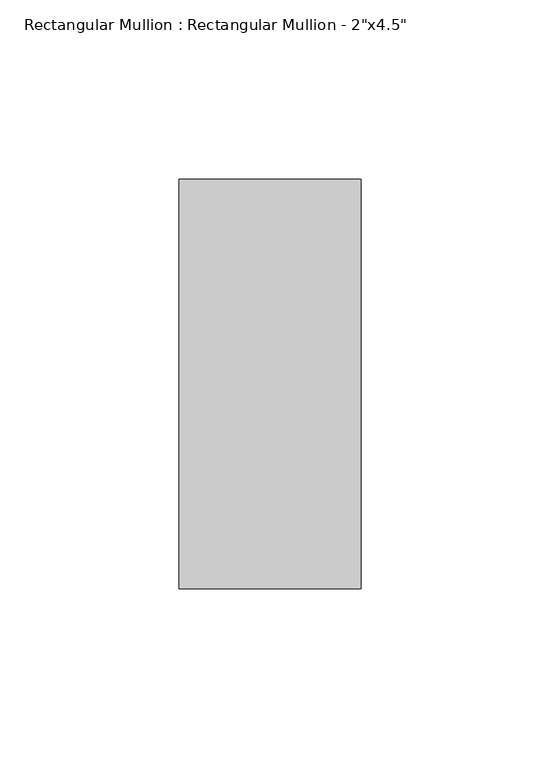
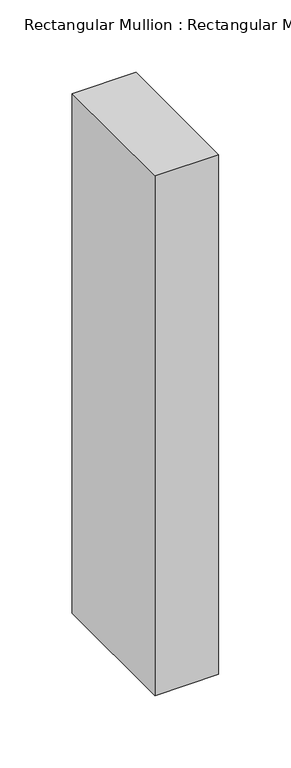
"""IFC4 building model written with IfcOpenShell, lengths in millimetres: member geometry."""

from ifc_helpers import new_model, si_unit, frame, origin, place, context, project, spatial, polyline, outline, extrude, source, transform, mapped, element, save


def member_84b4c429(model_context):
    return source(origin(), model_context, "Body", "SweptSolid", [
        extrude(outline(polyline([(25.4, 57.15), (25.4, -57.15), (-25.4, -57.15), (-25.4, 57.15), (25.4, 57.15)])), frame((0.0, 0.0, -438.15), z_axis=(0.0, 0.0, 1.0), x_axis=(1.0, 0.0, 0.0)), (0.0, 0.0, 1.0), 438.15),
    ])


if __name__ == "__main__":
    model = new_model("IFC4")
    model_context = context("Model", 3, world=origin())
    ifc_project = project(units=[si_unit("LENGTHUNIT", "METRE", prefix="MILLI")], contexts=[model_context])
    site = spatial("IfcSite", under=ifc_project)
    building = spatial("IfcBuilding", under=site)
    placement = place(None, origin())
    member_shape = member_84b4c429(model_context)
    element("IfcMember", 1, ObjectType="Rectangular Mullion : Rectangular Mullion - 2\"x4.5\"", at=placement, inside=building, context=model_context, shape_type="MappedRepresentation", body=[
        mapped(member_shape, transform((0.0, 0.0, 0.0), x_axis=(1.0, 0.0, 0.0), y_axis=(0.0, 1.0, 0.0), z_axis=(0.0, 0.0, 1.0))),
    ])
    save(model, "model.ifc")
